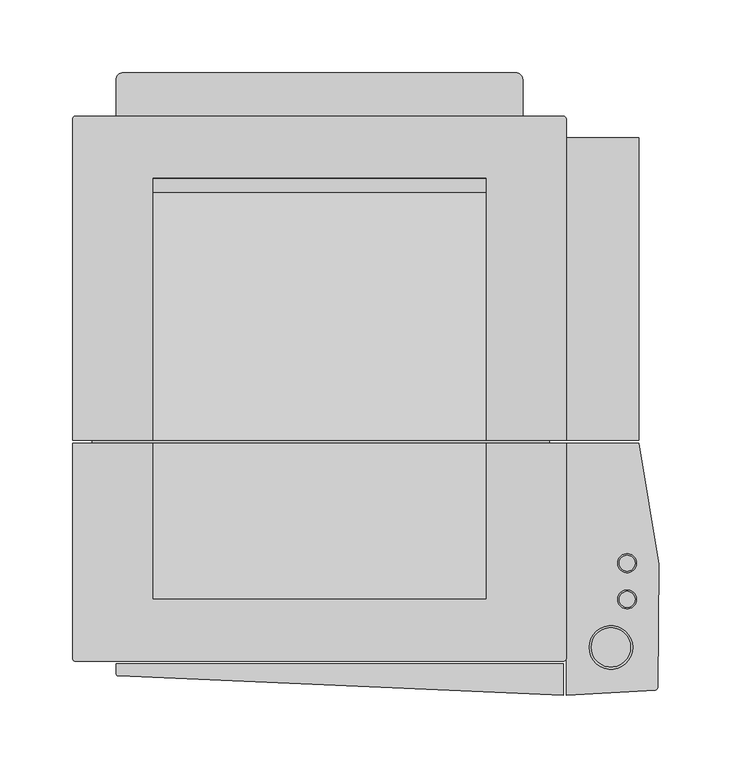
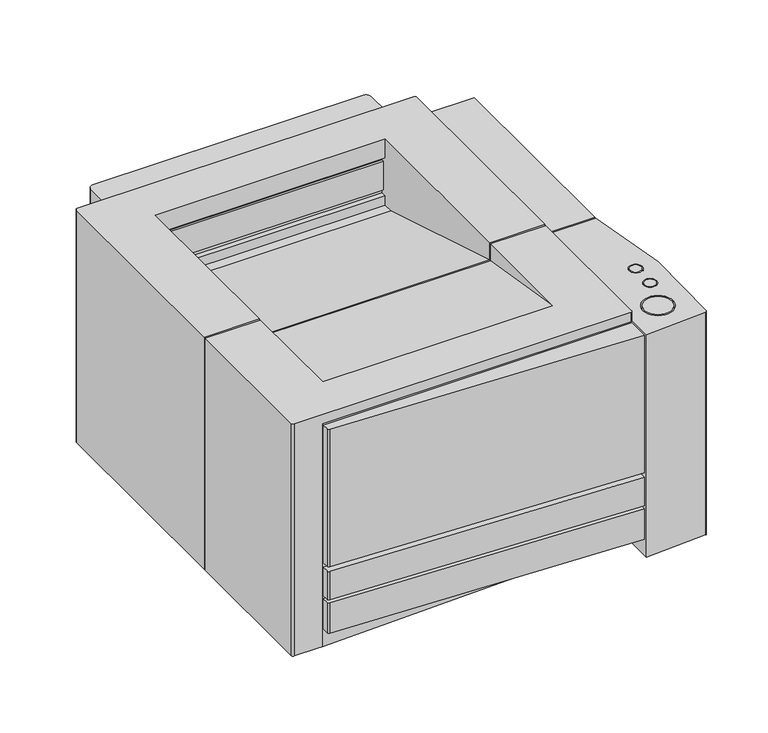
"""IFC4 building model written with IfcOpenShell, lengths in millimetres: furniture geometry."""

import ifcopenshell
import ifcopenshell.guid

model = None  # the IFC model being written
_history = None  # IfcOwnerHistory: only IFC2X3 demands one
_inside = {}  # id of a spatial element -> (the spatial element, [elements in it])
_under = {}  # id of a project, library or spatial element -> (it, [spatial elements below it])
_declared = {}  # id of a project -> (the project, [libraries it declares])
_typed = {}  # id of a type object -> (the type object, [elements of that type])
_made_of = {}  # id of a material, layer set ... -> (it, [elements and type objects made of it])


def new_model(schema):
    """Start an empty IFC model of exactly this schema.

    Asked for "IFC4X3", IfcOpenShell would pick the latest addendum, in which some entities
    have other attributes; the version numbers below select the first issue.
    IFC2X3 requires an IfcOwnerHistory on every rooted entity: one is made here for all.
    """
    global model, _history
    if schema == "IFC4X3":
        model = ifcopenshell.file(schema_version=(4, 3, 0, 0))
    else:
        model = ifcopenshell.file(schema=schema)
    _inside.clear()
    _under.clear()
    _declared.clear()
    _typed.clear()
    _made_of.clear()
    _history = None
    if model.schema == "IFC2X3":
        org = make("IfcOrganization", Name="unknown")
        user = make(
            "IfcPersonAndOrganization",
            ThePerson=make("IfcPerson", FamilyName="unknown"),
            TheOrganization=org,
        )
        app = make(
            "IfcApplication",
            ApplicationDeveloper=org,
            Version="unknown",
            ApplicationFullName="unknown",
            ApplicationIdentifier="unknown",
        )
        _history = make(
            "IfcOwnerHistory",
            OwningUser=user,
            OwningApplication=app,
            ChangeAction="ADDED",
            CreationDate=0,
        )
    return model


def make(cls, **values):
    """One entity of the class cls with the attributes given. An attribute that is None is left unset."""
    return model.create_entity(
        cls, **{name: value for name, value in values.items() if value is not None}
    )


def rooted(cls, **values):
    """An entity with a GlobalId (a new one), such as an element, a storey or a relation."""
    return make(cls, GlobalId=ifcopenshell.guid.new(), OwnerHistory=_history, **values)


def si_unit(unit_type, name, prefix=None):
    """IfcSIUnit, for example si_unit("LENGTHUNIT", "METRE", prefix="MILLI")."""
    return make("IfcSIUnit", UnitType=unit_type, Prefix=prefix, Name=name)


def assignment(units):
    """IfcUnitAssignment: the units of a project."""
    return None if units is None else make("IfcUnitAssignment", Units=units)


def point(xyz):
    """IfcCartesianPoint."""
    return None if xyz is None else make("IfcCartesianPoint", Coordinates=xyz)


def direction(xyz):
    """IfcDirection."""
    return None if xyz is None else make("IfcDirection", DirectionRatios=xyz)


def frame(location, z_axis=None, x_axis=None):
    """IfcAxis2Placement3D, a coordinate frame: its origin and axes. An axis left out is left unset."""
    return make(
        "IfcAxis2Placement3D",
        Location=point(location),
        Axis=direction(z_axis),
        RefDirection=direction(x_axis),
    )


def frame_2d(location, x_axis=None):
    """IfcAxis2Placement2D, a coordinate frame in the plane: its origin and x axis."""
    return make(
        "IfcAxis2Placement2D", Location=point(location), RefDirection=direction(x_axis)
    )


def origin():
    """The frame at (0, 0, 0) with its axes left unset."""
    return frame((0.0, 0.0, 0.0))


def origin_with_axes():
    """The frame at (0, 0, 0) with the z axis (0, 0, 1) and the x axis (1, 0, 0) written out."""
    return frame((0.0, 0.0, 0.0), z_axis=(0.0, 0.0, 1.0), x_axis=(1.0, 0.0, 0.0))


def place(relative_to, where):
    """IfcLocalPlacement: puts the frame where relative to a parent placement (None: the world)."""
    return make(
        "IfcLocalPlacement", PlacementRelTo=relative_to, RelativePlacement=where
    )


def context(
    kind, dimensions, precision=None, world=None, true_north=None, identifier=None
):
    """IfcGeometricRepresentationContext, for example the 3D "Model" context."""
    return make(
        "IfcGeometricRepresentationContext",
        ContextIdentifier=identifier,
        ContextType=kind,
        CoordinateSpaceDimension=dimensions,
        Precision=precision,
        WorldCoordinateSystem=world,
        TrueNorth=true_north,
    )


def project(units=None, contexts=None):
    """IfcProject with its units and contexts."""
    return rooted(
        "IfcProject",
        Name="project",
        RepresentationContexts=contexts,
        UnitsInContext=assignment(units),
    )


def spatial(cls, under=None, at=None, **own):
    """A site, building, storey or space (cls), placed at a placement, below another one or the project."""
    s = rooted(cls, ObjectPlacement=at, **own)
    if under is not None:
        _under.setdefault(under.id(), (under, []))[1].append(s)
    return s


def polyline(points):
    """IfcPolyline through the points."""
    return make("IfcPolyline", Points=[point(p) for p in points])


def circle_curve(where, radius):
    """IfcCircle in the frame where."""
    return make("IfcCircle", Position=where, Radius=radius)


def trimmed(basis, trim1, trim2, sense, master):
    """IfcTrimmedCurve: the piece of a basis curve between two trims."""
    return make(
        "IfcTrimmedCurve",
        BasisCurve=basis,
        Trim1=trim1,
        Trim2=trim2,
        SenseAgreement=sense,
        MasterRepresentation=master,
    )


def segment(curve, same_sense, transition):
    """IfcCompositeCurveSegment."""
    return make(
        "IfcCompositeCurveSegment",
        Transition=transition,
        SameSense=same_sense,
        ParentCurve=curve,
    )


def composite_curve(segments, self_intersect=None):
    """IfcCompositeCurve: segments joined end to end."""
    return make("IfcCompositeCurve", Segments=segments, SelfIntersect=self_intersect)


def outline(outer, holes=None, kind="AREA"):
    """IfcArbitraryClosedProfileDef: a profile drawn as a closed curve; with holes, ...WithVoids."""
    if holes is None:
        return make("IfcArbitraryClosedProfileDef", ProfileType=kind, OuterCurve=outer)
    return make(
        "IfcArbitraryProfileDefWithVoids",
        ProfileType=kind,
        OuterCurve=outer,
        InnerCurves=holes,
    )


def extrude(swept, where, along, depth):
    """IfcExtrudedAreaSolid: the profile swept, set in the frame where, extruded along a direction by depth."""
    return make(
        "IfcExtrudedAreaSolid",
        SweptArea=swept,
        Position=where,
        ExtrudedDirection=direction(along),
        Depth=depth,
    )


def faces_of(points, faces, orient=None, outer=None):
    """IfcFace entities. A face is a list of loops; a loop is a list of indices into points, from 0.

    orient and outer hold one flag for each loop. By default every Orientation is true, the
    first loop of a face is its IfcFaceOuterBound and the others are IfcFaceBound.
    """
    made = []
    for i, loops in enumerate(faces):
        bounds = []
        for j, loop in enumerate(loops):
            is_outer = j == 0 if outer is None else outer[i][j]
            bounds.append(
                make(
                    "IfcFaceOuterBound" if is_outer else "IfcFaceBound",
                    Bound=make("IfcPolyLoop", Polygon=[points[k] for k in loop]),
                    Orientation=True if orient is None else orient[i][j],
                )
            )
        made.append(make("IfcFace", Bounds=bounds))
    return made


def faceted_brep(points, faces, orient=None, outer=None, voids=None):
    """IfcFacetedBrep: a solid bounded by flat faces; with voids (closed shells), ...WithVoids."""
    shared = [point(p) for p in points]
    hull = make("IfcClosedShell", CfsFaces=faces_of(shared, faces, orient, outer))
    if voids is None:
        return make("IfcFacetedBrep", Outer=hull)
    return make(
        "IfcFacetedBrepWithVoids",
        Outer=hull,
        Voids=[
            make(cls, CfsFaces=faces_of(shared, fs, o, b)) for cls, fs, o, b in voids
        ],
    )


def shape(context_of_items, identifier, shape_type, items):
    """IfcShapeRepresentation: the items that make up one representation, for example the "Body"."""
    return make(
        "IfcShapeRepresentation",
        ContextOfItems=context_of_items,
        RepresentationIdentifier=identifier,
        RepresentationType=shape_type,
        Items=items,
    )


def source(mapping_origin, context_of_items, identifier, shape_type, items):
    """IfcRepresentationMap: a shape defined once, which mapped items show again and again."""
    return make(
        "IfcRepresentationMap",
        MappingOrigin=mapping_origin,
        MappedRepresentation=shape(context_of_items, identifier, shape_type, items),
    )


def transform(
    local_origin,
    x_axis=None,
    y_axis=None,
    z_axis=None,
    scale=None,
    scale2=None,
    scale3=None,
    uniform=True,
):
    """IfcCartesianTransformationOperator3D, or its non-uniform kind. x_axis, y_axis, z_axis: its Axis1, 2, 3."""
    if uniform:
        return make(
            "IfcCartesianTransformationOperator3D",
            Axis1=direction(x_axis),
            Axis2=direction(y_axis),
            LocalOrigin=point(local_origin),
            Scale=scale,
            Axis3=direction(z_axis),
        )
    return make(
        "IfcCartesianTransformationOperator3DnonUniform",
        Axis1=direction(x_axis),
        Axis2=direction(y_axis),
        LocalOrigin=point(local_origin),
        Scale=scale,
        Axis3=direction(z_axis),
        Scale2=scale2,
        Scale3=scale3,
    )


def mapped(mapping_source, mapping_target):
    """IfcMappedItem: shows the shape of a source again, moved by a transform."""
    return make(
        "IfcMappedItem", MappingSource=mapping_source, MappingTarget=mapping_target
    )


def made_of(thing, what):
    """Note that an element or type object is made of a material, layer set ...; save() writes the relation."""
    if what is not None:
        _made_of.setdefault(what.id(), (what, []))[1].append(thing)
    return thing


def element(
    cls,
    number,
    at=None,
    inside=None,
    cuts=None,
    type_object=None,
    material=None,
    context=None,
    identifier="Body",
    shape_type=None,
    held_by="IfcProductDefinitionShape",
    body=None,
    shapes=None,
    **own,
):
    """One element of the class cls, such as IfcWall. Its Tag is "e" and its number.

    at: its placement. inside: the storey or other place that contains it. cuts: it is an
    opening in that element (IfcRelVoidsElement). A single representation is given by context,
    identifier, shape_type and body (its items); several are given by shapes. held_by: the class
    of the entity that holds the representations. save() writes the other relations.
    """
    e = rooted(cls, Tag="e%d" % number, ObjectPlacement=at, **own)
    if body is not None:
        shapes = [shape(context, identifier, shape_type, body)]
    if shapes is not None:
        e.Representation = make(held_by, Representations=shapes)
    if inside is not None:
        _inside.setdefault(inside.id(), (inside, []))[1].append(e)
    if cuts is not None:
        rooted(
            "IfcRelVoidsElement", RelatingBuildingElement=cuts, RelatedOpeningElement=e
        )
    if type_object is not None:
        _typed.setdefault(type_object.id(), (type_object, []))[1].append(e)
    return made_of(e, material)


def aggregate(whole, parts):
    """IfcRelAggregates: a whole, such as a stair, and the parts it consists of."""
    return rooted("IfcRelAggregates", RelatingObject=whole, RelatedObjects=parts)


def save(model, path):
    """Write the relations noted so far, then the file.

    IfcRelAggregates (storeys below a building ...), IfcRelContainedInSpatialStructure (elements
    in a storey), IfcRelDefinesByType, IfcRelAssociatesMaterial and IfcRelDeclares: one each for
    every whole, place, type object, material and project.
    """
    for whole, parts in _under.values():
        aggregate(whole, parts)
    for where, things in _inside.values():
        rooted(
            "IfcRelContainedInSpatialStructure",
            RelatedElements=things,
            RelatingStructure=where,
        )
    for kind, things in _typed.values():
        rooted("IfcRelDefinesByType", RelatedObjects=things, RelatingType=kind)
    for what, things in _made_of.values():
        rooted("IfcRelAssociatesMaterial", RelatedObjects=things, RelatingMaterial=what)
    for by, libraries in _declared.values():
        rooted("IfcRelDeclares", RelatingContext=by, RelatedDefinitions=libraries)
    model.write(path)


def plane_surface(at):
    """IfcPlane: the flat surface through the origin of the frame at, square to its z axis."""
    return make("IfcPlane", Position=at)


def cylinder_surface(at, radius):
    """IfcCylindricalSurface: all points at the distance radius from the z axis of the frame at."""
    return make("IfcCylindricalSurface", Position=at, Radius=radius)


def revolved_surface(curve, axis_point, axis_direction):
    """IfcSurfaceOfRevolution: the curve turned about the line through axis_point along axis_direction."""
    return make(
        "IfcSurfaceOfRevolution",
        SweptCurve=make("IfcArbitraryOpenProfileDef", ProfileType="CURVE", Curve=curve),
        AxisPosition=make("IfcAxis1Placement", Location=point(axis_point), Axis=direction(axis_direction)),
    )


def advanced_brep(points, edges, surfaces, faces):
    """IfcAdvancedBrep: a solid bounded by faces that lie on surfaces and meet in shared edges.

    An edge is (start, end): straight between two places in points (the first is 0);
    or (start, end, curve); or (start, end, curve, False) where it runs against its curve.
    A face is (place in surfaces, loops), or (place, loops, False) where it looks against
    its surface's normal. A loop lists edges by number (the first is 1), with a minus sign
    where the edge is run from its end to its start. The first loop is the outer one.
    """
    corners = [point(p) for p in points]
    vertices = [make("IfcVertexPoint", VertexGeometry=c) for c in corners]
    made = []
    for start, end, *more in edges:
        made.append(
            make(
                "IfcEdgeCurve",
                EdgeStart=vertices[start],
                EdgeEnd=vertices[end],
                EdgeGeometry=more[0] if more else make("IfcPolyline", Points=[corners[start], corners[end]]),
                SameSense=more[1] if len(more) > 1 else True,
            )
        )
    hull = []
    for where, loops, *sense in faces:
        bounds = []
        for j, loop in enumerate(loops):
            ring = [make("IfcOrientedEdge", EdgeElement=made[abs(k) - 1], Orientation=k > 0) for k in loop]
            bounds.append(
                make(
                    "IfcFaceOuterBound" if j == 0 else "IfcFaceBound",
                    Bound=make("IfcEdgeLoop", EdgeList=ring),
                    Orientation=True,
                )
            )
        hull.append(make("IfcAdvancedFace", Bounds=bounds, FaceSurface=surfaces[where], SameSense=sense[0] if sense else True))
    return make("IfcAdvancedBrep", Outer=make("IfcClosedShell", CfsFaces=hull))


def furniture_5ee68452(model_context):
    return source(origin(), model_context, "Body", "SolidModel", [
        extrude(outline(polyline([(158.4270166, 172.2153373), (158.4270166, -172.7846627), (-156.5729834, -172.7846627), (-156.5729834, 172.2153373), (158.4270166, 172.2153373)])), origin_with_axes(), (0.0, 0.0, 1.0), 5.0),
        extrude(outline(composite_curve([segment(polyline([(168.0, -189.5), (168.0, -211.0385028)]), True, "CONTINUOUS"), segment(trimmed(circle_curve(frame_2d((94.3666787, 1624.0671105)), 1836.5822818), [point((168.0, -211.0385028))], [point((-138.2533184, -197.7238806))], False, "CARTESIAN"), True, "CONTINUOUS"), segment(trimmed(circle_curve(frame_2d((-138.2533184, -195.9771989)), 1.7466816), [point((-138.2533184, -197.7238806))], [point((-140.0, -195.9771989))], False, "CARTESIAN"), True, "CONTINUOUS"), segment(polyline([(-140.0, -195.9771989), (-140.0, -189.5), (168.0, -189.5)]), True, "CONTINUOUS")], self_intersect=False)), frame((0.0, 0.0, 95.0), z_axis=(0.0, 0.0, 1.0), x_axis=(1.0, 0.0, 0.0)), (0.0, 0.0, 1.0), 145.0),
        extrude(outline(composite_curve([segment(polyline([(168.0, -189.5), (168.0, -211.0385028)]), True, "CONTINUOUS"), segment(trimmed(circle_curve(frame_2d((94.3666787, 1624.0671105)), 1836.5822818), [point((168.0, -211.0385028))], [point((-138.2533184, -197.7238806))], False, "CARTESIAN"), True, "CONTINUOUS"), segment(trimmed(circle_curve(frame_2d((-138.2533184, -195.9771989)), 1.7466816), [point((-138.2533184, -197.7238806))], [point((-140.0, -195.9771989))], False, "CARTESIAN"), True, "CONTINUOUS"), segment(polyline([(-140.0, -195.9771989), (-140.0, -189.5), (168.0, -189.5)]), True, "CONTINUOUS")], self_intersect=False)), frame((0.0, 0.0, 60.0), z_axis=(0.0, 0.0, 1.0), x_axis=(1.0, 0.0, 0.0)), (0.0, 0.0, 1.0), 30.0),
        extrude(outline(composite_curve([segment(polyline([(168.0, -189.5), (168.0, -211.0385028)]), True, "CONTINUOUS"), segment(trimmed(circle_curve(frame_2d((94.3666787, 1624.0671105)), 1836.5822818), [point((168.0, -211.0385028))], [point((-138.2533184, -197.7238806))], False, "CARTESIAN"), True, "CONTINUOUS"), segment(trimmed(circle_curve(frame_2d((-138.2533184, -195.9771989)), 1.7466816), [point((-138.2533184, -197.7238806))], [point((-140.0, -195.9771989))], False, "CARTESIAN"), True, "CONTINUOUS"), segment(polyline([(-140.0, -195.9771989), (-140.0, -189.5), (168.0, -189.5)]), True, "CONTINUOUS")], self_intersect=False)), frame((0.0, 0.0, 25.0), z_axis=(0.0, 0.0, 1.0), x_axis=(1.0, 0.0, 0.0)), (0.0, 0.0, 1.0), 32.0),
        advanced_brep(
        [(231.1610016, -207.4136542, 240.0), (233.0027612, -205.6115923, 240.0), (220.0, -37.5, 240.0), (170.0, -37.5, 240.0), (170.0, -210.9571615, 240.0), (215.7509631, -178.0778094, 240.0), (185.7509631, -178.0778094, 240.0), (218.3943162, -145.061833, 240.0), (205.3943162, -145.061833, 240.0), (218.3943162, -120.061833, 240.0), (205.3943162, -120.061833, 240.0), (214.2509631, -178.0778094, 240.0), (187.2509631, -178.0778094, 240.0), (217.3943162, -145.061833, 240.0), (206.3943162, -145.061833, 240.0), (217.3943162, -120.061833, 240.0), (206.3943162, -120.061833, 240.0), (170.0, -37.5, 5.0), (220.0, -37.5, 5.0), (233.0027612, -205.6115923, 5.0), (231.1610016, -207.4136542, 5.0), (170.0, -210.9571615, 5.0), (185.7509631, -178.0778094, 230.0), (215.7509631, -178.0778094, 230.0), (187.2509631, -178.0778094, 230.0), (214.2509631, -178.0778094, 230.0), (205.3943162, -145.061833, 230.0), (218.3943162, -145.061833, 230.0), (206.3943162, -145.061833, 230.0), (217.3943162, -145.061833, 230.0), (205.3943162, -120.061833, 230.0), (218.3943162, -120.061833, 230.0), (206.3943162, -120.061833, 230.0), (217.3943162, -120.061833, 230.0)],
        [
            (0, 1, circle_curve(frame((231.0120355, -205.4192096, 240.0), z_axis=(0.0, 0.0, 1.0), x_axis=(1.0, 0.0, 0.0)), 2.0)),
            (1, 2, circle_curve(frame((-253.0069973, -158.6438568, 240.0), z_axis=(0.0, 0.0, 1.0), x_axis=(1.0, 0.0, 0.0)), 488.2739534)),
            (2, 3),
            (3, 4),
            (4, 0, circle_curve(frame((94.3666787, 1624.0671105, 240.0), z_axis=(0.0, 0.0, 1.0), x_axis=(1.0, 0.0, 0.0)), 1836.5822818)),
            (5, 6, circle_curve(frame((200.7509631, -178.0778094, 240.0), z_axis=(0.0, 0.0, -1.0), x_axis=(1.0, 0.0, 0.0)), 15.0)),
            (6, 5, circle_curve(frame((200.7509631, -178.0778094, 240.0), z_axis=(0.0, 0.0, -1.0), x_axis=(1.0, 0.0, 0.0)), 15.0)),
            (7, 8, circle_curve(frame((211.8943162, -145.061833, 240.0), z_axis=(0.0, 0.0, -1.0), x_axis=(1.0, 0.0, 0.0)), 6.5)),
            (8, 7, circle_curve(frame((211.8943162, -145.061833, 240.0), z_axis=(0.0, 0.0, -1.0), x_axis=(1.0, 0.0, 0.0)), 6.5)),
            (9, 10, circle_curve(frame((211.8943162, -120.061833, 240.0), z_axis=(0.0, 0.0, -1.0), x_axis=(1.0, 0.0, 0.0)), 6.5)),
            (10, 9, circle_curve(frame((211.8943162, -120.061833, 240.0), z_axis=(0.0, 0.0, -1.0), x_axis=(1.0, 0.0, 0.0)), 6.5)),
            (11, 12, circle_curve(frame((200.7509631, -178.0778094, 240.0), z_axis=(0.0, 0.0, 1.0), x_axis=(1.0, 0.0, 0.0)), 13.5)),
            (12, 11, circle_curve(frame((200.7509631, -178.0778094, 240.0), z_axis=(0.0, 0.0, 1.0), x_axis=(1.0, 0.0, 0.0)), 13.5)),
            (13, 14, circle_curve(frame((211.8943162, -145.061833, 240.0), z_axis=(0.0, 0.0, 1.0), x_axis=(1.0, 0.0, 0.0)), 5.5)),
            (14, 13, circle_curve(frame((211.8943162, -145.061833, 240.0), z_axis=(0.0, 0.0, 1.0), x_axis=(1.0, 0.0, 0.0)), 5.5)),
            (15, 16, circle_curve(frame((211.8943162, -120.061833, 240.0), z_axis=(0.0, 0.0, 1.0), x_axis=(1.0, 0.0, 0.0)), 5.5)),
            (16, 15, circle_curve(frame((211.8943162, -120.061833, 240.0), z_axis=(0.0, 0.0, 1.0), x_axis=(1.0, 0.0, 0.0)), 5.5)),
            (17, 18),
            (18, 19, circle_curve(frame((-253.0069973, -158.6438568, 5.0), z_axis=(0.0, 0.0, -1.0), x_axis=(1.0, 0.0, 0.0)), 488.2739534)),
            (19, 20, circle_curve(frame((231.0120355, -205.4192096, 5.0), z_axis=(0.0, 0.0, -1.0), x_axis=(1.0, 0.0, 0.0)), 2.0)),
            (20, 21, circle_curve(frame((94.3666787, 1624.0671105, 5.0), z_axis=(0.0, 0.0, -1.0), x_axis=(1.0, 0.0, 0.0)), 1836.5822818)),
            (21, 17),
            (20, 0),
            (4, 21),
            (19, 1),
            (18, 2),
            (17, 3),
            (22, 23, circle_curve(frame((200.7509631, -178.0778094, 230.0), z_axis=(0.0, 0.0, 1.0), x_axis=(1.0, 0.0, 0.0)), 15.0)),
            (23, 22, circle_curve(frame((200.7509631, -178.0778094, 230.0), z_axis=(0.0, 0.0, 1.0), x_axis=(1.0, 0.0, 0.0)), 15.0)),
            (24, 25, circle_curve(frame((200.7509631, -178.0778094, 230.0), z_axis=(0.0, 0.0, -1.0), x_axis=(1.0, 0.0, 0.0)), 13.5)),
            (25, 24, circle_curve(frame((200.7509631, -178.0778094, 230.0), z_axis=(0.0, 0.0, -1.0), x_axis=(1.0, 0.0, 0.0)), 13.5)),
            (26, 27, circle_curve(frame((211.8943162, -145.061833, 230.0), z_axis=(0.0, 0.0, 1.0), x_axis=(1.0, 0.0, 0.0)), 6.5)),
            (27, 26, circle_curve(frame((211.8943162, -145.061833, 230.0), z_axis=(0.0, 0.0, 1.0), x_axis=(1.0, 0.0, 0.0)), 6.5)),
            (28, 29, circle_curve(frame((211.8943162, -145.061833, 230.0), z_axis=(0.0, 0.0, -1.0), x_axis=(1.0, 0.0, 0.0)), 5.5)),
            (29, 28, circle_curve(frame((211.8943162, -145.061833, 230.0), z_axis=(0.0, 0.0, -1.0), x_axis=(1.0, 0.0, 0.0)), 5.5)),
            (30, 31, circle_curve(frame((211.8943162, -120.061833, 230.0), z_axis=(0.0, 0.0, 1.0), x_axis=(1.0, 0.0, 0.0)), 6.5)),
            (31, 30, circle_curve(frame((211.8943162, -120.061833, 230.0), z_axis=(0.0, 0.0, 1.0), x_axis=(1.0, 0.0, 0.0)), 6.5)),
            (32, 33, circle_curve(frame((211.8943162, -120.061833, 230.0), z_axis=(0.0, 0.0, -1.0), x_axis=(1.0, 0.0, 0.0)), 5.5)),
            (33, 32, circle_curve(frame((211.8943162, -120.061833, 230.0), z_axis=(0.0, 0.0, -1.0), x_axis=(1.0, 0.0, 0.0)), 5.5)),
            (22, 6),
            (5, 23),
            (24, 12),
            (11, 25),
            (26, 8),
            (7, 27),
            (28, 14),
            (13, 29),
            (30, 10),
            (9, 31),
            (32, 16),
            (15, 33),
        ],
        [
            plane_surface(frame((-136.0, -195.739988, 240.0), z_axis=(0.0, 0.0, 1.0), x_axis=(0.0, 1.0, 0.0))),
            plane_surface(frame((-136.0, -195.739988, 5.0), z_axis=(0.0, 0.0, -1.0), x_axis=(0.0, -1.0, 0.0))),
            cylinder_surface(frame((94.3666787, 1624.0671105, 5.0), z_axis=(0.0, 0.0, 1.0), x_axis=(1.0, 0.0, 0.0)), 1836.5822818),
            cylinder_surface(frame((231.0120355, -205.4192096, 5.0), z_axis=(0.0, 0.0, 1.0), x_axis=(1.0, 0.0, 0.0)), 2.0),
            cylinder_surface(frame((-253.0069973, -158.6438568, 5.0), z_axis=(0.0, 0.0, 1.0), x_axis=(1.0, 0.0, 0.0)), 488.2739534),
            plane_surface(frame((220.0, -37.5, 240.0), z_axis=(0.0, 1.0, 0.0), x_axis=(0.0, 0.0, -1.0))),
            plane_surface(frame((170.0, -37.5, 240.0), z_axis=(-1.0, 0.0, 0.0), x_axis=(0.0, 0.0, -1.0))),
            plane_surface(frame((215.7509631, -178.0778094, 230.0), z_axis=(0.0, 0.0, 1.0), x_axis=(0.0, -1.0, 0.0))),
            revolved_surface(polyline([(215.7509631, -178.0778094, 240.0), (215.7509631, -178.0778094, 230.0)]), (200.7509631, -178.0778094, 230.0), (0.0, 0.0, 1.0)),
            cylinder_surface(frame((200.7509631, -178.0778094, 0.0), z_axis=(0.0, 0.0, -1.0), x_axis=(1.0, 0.0, 0.0)), 13.5),
            revolved_surface(polyline([(218.3943162, -145.061833, 240.0), (218.3943162, -145.061833, 230.0)]), (211.8943162, -145.061833, 0.0), (0.0, 0.0, 1.0)),
            cylinder_surface(frame((211.8943162, -145.061833, 0.0), z_axis=(0.0, 0.0, -1.0), x_axis=(1.0, 0.0, 0.0)), 5.5),
            revolved_surface(polyline([(218.3943162, -120.061833, 240.0), (218.3943162, -120.061833, 230.0)]), (211.8943162, -120.061833, 0.0), (0.0, 0.0, 1.0)),
            cylinder_surface(frame((211.8943162, -120.061833, 0.0), z_axis=(0.0, 0.0, -1.0), x_axis=(1.0, 0.0, 0.0)), 5.5),
        ],
        [
            (0, [[1, 2, 3, 4, 5], [6, 7], [8, 9], [10, 11]]),
            (0, [[12, 13]]),
            (0, [[14, 15]]),
            (0, [[16, 17]]),
            (1, [[18, 19, 20, 21, 22]]),
            (2, [[23, -5, 24, -21]]),
            (3, [[-1, -23, -20, 25]]),
            (4, [[-2, -25, -19, 26]]),
            (5, [[-3, -26, -18, 27]]),
            (6, [[-27, -22, -24, -4]]),
            (7, [[28, 29], [30, 31]]),
            (7, [[32, 33], [34, 35]]),
            (7, [[36, 37], [38, 39]]),
            (8, [[-28, 40, -6, 41]]),
            (8, [[-29, -41, -7, -40]]),
            (9, [[-30, 42, -12, 43]]),
            (9, [[-31, -43, -13, -42]]),
            (10, [[-32, 44, -8, 45]]),
            (10, [[-33, -45, -9, -44]]),
            (11, [[-34, 46, -14, 47]]),
            (11, [[-35, -47, -15, -46]]),
            (12, [[-36, 48, -10, 49]]),
            (12, [[-37, -49, -11, -48]]),
            (13, [[-38, 50, -16, 51]]),
            (13, [[-39, -51, -17, -50]]),
        ],
    ),
        faceted_brep([(220.0, -35.5, 240.0), (220.0, 172.7980154, 240.0), (170.0, 172.7980154, 240.0), (170.0, -35.5, 240.0), (220.0, -35.5, 5.0), (170.0, -35.5, 5.0), (170.0, 172.7980154, 5.0), (220.0, 172.7980154, 5.0)], [[[0, 1, 2, 3]], [[4, 5, 6, 7]], [[1, 0, 4, 7]], [[2, 1, 7, 6]], [[3, 2, 6, 5]], [[0, 3, 5, 4]]]),
        advanced_brep(
        [(168.0, 187.5, 250.0), (-168.0, 187.5, 250.0), (-170.0, 185.5, 250.0), (-170.0, -35.5, 250.0), (-115.0, -35.5, 250.0), (-115.0, 145.0, 250.0), (115.0, 145.0, 250.0), (115.0, -35.5, 250.0), (170.0, -35.5, 250.0), (170.0, 185.5, 250.0), (168.0, 187.5, 5.0), (170.0, 185.5, 5.0), (170.0, -35.5, 5.0), (-170.0, -35.5, 5.0), (-170.0, 185.5, 5.0), (-168.0, 187.5, 5.0), (115.0, -35.5, 231.7780958), (-115.0, -35.5, 231.7780958), (115.0, 145.0, 230.0), (115.0, 150.0, 230.0), (115.0, 150.0, 225.0), (115.0, 147.5, 225.0), (115.0, 147.5, 195.0), (115.0, 150.0, 195.0), (115.0, 150.0, 190.0), (115.0, 145.0, 190.0), (115.0, 145.0, 180.0), (115.0, 135.0, 180.0), (-115.0, 135.0, 180.0), (-115.0, 145.0, 180.0), (-115.0, 145.0, 190.0), (-115.0, 150.0, 190.0), (-115.0, 150.0, 195.0), (-115.0, 147.5, 195.0), (-115.0, 147.5, 225.0), (-115.0, 150.0, 225.0), (-115.0, 150.0, 230.0), (-115.0, 145.0, 230.0)],
        [
            (0, 1),
            (1, 2, circle_curve(frame((-168.0, 185.5, 250.0), z_axis=(0.0, 0.0, 1.0), x_axis=(1.0, 0.0, 0.0)), 2.0)),
            (2, 3),
            (3, 4),
            (4, 5),
            (5, 6),
            (6, 7),
            (7, 8),
            (8, 9),
            (9, 0, circle_curve(frame((168.0, 185.5, 250.0), z_axis=(0.0, 0.0, 1.0), x_axis=(1.0, 0.0, 0.0)), 2.0)),
            (10, 11, circle_curve(frame((168.0, 185.5, 5.0), z_axis=(0.0, 0.0, -1.0), x_axis=(1.0, 0.0, 0.0)), 2.0)),
            (11, 12),
            (12, 13),
            (13, 14),
            (14, 15, circle_curve(frame((-168.0, 185.5, 5.0), z_axis=(0.0, 0.0, -1.0), x_axis=(1.0, 0.0, 0.0)), 2.0)),
            (15, 10),
            (0, 10),
            (15, 1),
            (14, 2),
            (13, 3),
            (11, 9),
            (8, 12),
            (7, 16),
            (16, 17),
            (17, 4),
            (6, 18),
            (18, 19),
            (19, 20),
            (20, 21),
            (21, 22),
            (22, 23),
            (23, 24),
            (24, 25),
            (25, 26),
            (26, 27),
            (27, 16, circle_curve(frame((115.0, -272.8498896, -856.3995585), z_axis=(1.0, 0.0, 0.0), x_axis=(0.0, 1.0, 0.0)), 1113.7619034)),
            (28, 29),
            (29, 30),
            (30, 31),
            (31, 32),
            (32, 33),
            (33, 34),
            (34, 35),
            (35, 36),
            (36, 37),
            (37, 5),
            (17, 28, circle_curve(frame((-115.0, -272.8498896, -856.3995585), z_axis=(-1.0, 0.0, 0.0), x_axis=(0.0, 1.0, 0.0)), 1113.7619034)),
            (27, 28),
            (26, 29),
            (25, 30),
            (24, 31),
            (23, 32),
            (22, 33),
            (21, 34),
            (20, 35),
            (19, 36),
            (18, 37),
        ],
        [
            plane_surface(frame((-170.0, 187.5, 250.0), z_axis=(0.0, 0.0, 1.0), x_axis=(-1.0, 0.0, 0.0))),
            plane_surface(frame((-170.0, 187.5, 5.0), z_axis=(0.0, 0.0, -1.0), x_axis=(1.0, 0.0, 0.0))),
            plane_surface(frame((168.0, 187.5, 250.0), z_axis=(0.0, 1.0, 0.0), x_axis=(0.0, 0.0, -1.0))),
            cylinder_surface(frame((-168.0, 185.5, 5.0), z_axis=(0.0, 0.0, 1.0), x_axis=(1.0, 0.0, 0.0)), 2.0),
            plane_surface(frame((-170.0, 185.5, 250.0), z_axis=(-1.0, 0.0, 0.0), x_axis=(0.0, 0.0, -1.0))),
            plane_surface(frame((170.0, -185.5, 250.0), z_axis=(1.0, 0.0, 0.0), x_axis=(0.0, 0.0, -1.0))),
            cylinder_surface(frame((168.0, 185.5, 5.0), z_axis=(0.0, 0.0, 1.0), x_axis=(1.0, 0.0, 0.0)), 2.0),
            plane_surface(frame((220.0, -35.5, 250.0), z_axis=(0.0, -1.0, 0.0), x_axis=(0.0, 0.0, -1.0))),
            plane_surface(frame((115.0, -145.0, 250.0), z_axis=(-1.0, 0.0, 0.0), x_axis=(0.0, -1.0, 0.0))),
            plane_surface(frame((-115.0, -145.0, 250.0), z_axis=(1.0, 0.0, 0.0), x_axis=(0.0, 1.0, 0.0))),
            cylinder_surface(frame((-115.0, -272.8498896, -856.3995585), z_axis=(-1.0, 0.0, 0.0), x_axis=(0.0, 1.0, 0.0)), 1113.7619034),
            plane_surface(frame((115.0, 135.0, 180.0), z_axis=(0.0, 0.0, 1.0), x_axis=(-1.0, 0.0, 0.0))),
            plane_surface(frame((115.0, 145.0, 180.0), z_axis=(0.0, -1.0, 0.0), x_axis=(-1.0, 0.0, 0.0))),
            plane_surface(frame((115.0, 145.0, 190.0), z_axis=(0.0, 0.0, 1.0), x_axis=(-1.0, 0.0, 0.0))),
            plane_surface(frame((115.0, 150.0, 190.0), z_axis=(0.0, -1.0, 0.0), x_axis=(-1.0, 0.0, 0.0))),
            plane_surface(frame((115.0, 150.0, 195.0), z_axis=(0.0, 0.0, -1.0), x_axis=(-1.0, 0.0, 0.0))),
            plane_surface(frame((115.0, 147.5, 195.0), z_axis=(0.0, -1.0, 0.0), x_axis=(-1.0, 0.0, 0.0))),
            plane_surface(frame((115.0, 147.5, 225.0), z_axis=(0.0, 0.0, 1.0), x_axis=(-1.0, 0.0, 0.0))),
            plane_surface(frame((115.0, 150.0, 225.0), z_axis=(0.0, -1.0, 0.0), x_axis=(-1.0, 0.0, 0.0))),
            plane_surface(frame((115.0, 150.0, 230.0), z_axis=(0.0, 0.0, -1.0), x_axis=(-1.0, 0.0, 0.0))),
            plane_surface(frame((115.0, 145.0, 230.0), z_axis=(0.0, -1.0, 0.0), x_axis=(-1.0, 0.0, 0.0))),
        ],
        [
            (0, [[1, 2, 3, 4, 5, 6, 7, 8, 9, 10]]),
            (1, [[11, 12, 13, 14, 15, 16]]),
            (2, [[-1, 17, -16, 18]]),
            (3, [[-2, -18, -15, 19]]),
            (4, [[-19, -14, 20, -3]]),
            (5, [[21, -9, 22, -12]]),
            (6, [[-10, -21, -11, -17]]),
            (7, [[-13, -22, -8, 23, 24, 25, -4, -20]]),
            (8, [[26, 27, 28, 29, 30, 31, 32, 33, 34, 35, 36, -23, -7]]),
            (9, [[37, 38, 39, 40, 41, 42, 43, 44, 45, 46, -5, -25, 47]]),
            (10, [[48, -47, -24, -36]]),
            (11, [[-35, 49, -37, -48]]),
            (12, [[-34, 50, -38, -49]]),
            (13, [[-33, 51, -39, -50]]),
            (14, [[-32, 52, -40, -51]]),
            (15, [[-31, 53, -41, -52]]),
            (16, [[-30, 54, -42, -53]]),
            (17, [[-29, 55, -43, -54]]),
            (18, [[-28, 56, -44, -55]]),
            (19, [[-27, 57, -45, -56]]),
            (20, [[-26, -6, -46, -57]]),
        ],
    ),
        advanced_brep(
        [(-170.0, -185.5, 250.0), (-168.0, -187.5, 250.0), (168.0, -187.5, 250.0), (170.0, -185.5, 250.0), (170.0, -37.5, 250.0), (115.0, -37.5, 250.0), (115.0, -145.0, 250.0), (-115.0, -145.0, 250.0), (-115.0, -37.5, 250.0), (-170.0, -37.5, 250.0), (-168.0, -187.5, 5.0), (-170.0, -185.5, 5.0), (-170.0, -37.5, 5.0), (170.0, -37.5, 5.0), (170.0, -176.6745615, 5.0), (-140.0, -187.5, 5.0), (-145.0, -187.5, 5.0), (-140.0, -187.5, 240.0), (168.0, -187.5, 240.0), (170.0, -185.5, 240.0), (170.0, -176.6745615, 240.0), (-115.0, -37.5, 232.2124049), (115.0, -37.5, 232.2124049)],
        [
            (0, 1, circle_curve(frame((-168.0, -185.5, 250.0), z_axis=(0.0, 0.0, 1.0), x_axis=(1.0, 0.0, 0.0)), 2.0)),
            (1, 2),
            (2, 3, circle_curve(frame((168.0, -185.5, 250.0), z_axis=(0.0, 0.0, 1.0), x_axis=(1.0, 0.0, 0.0)), 2.0)),
            (3, 4),
            (4, 5),
            (5, 6),
            (6, 7),
            (7, 8),
            (8, 9),
            (9, 0),
            (10, 11, circle_curve(frame((-168.0, -185.5, 5.0), z_axis=(0.0, 0.0, -1.0), x_axis=(1.0, 0.0, 0.0)), 2.0)),
            (11, 12),
            (12, 13),
            (13, 14),
            (14, 15, circle_curve(frame((157.1632295, -4253.1095292, 5.0), z_axis=(0.0, 0.0, 1.0), x_axis=(1.0, 0.0, 0.0)), 4076.4551793)),
            (15, 16),
            (16, 10),
            (11, 0),
            (9, 12),
            (10, 1),
            (15, 17),
            (17, 18),
            (18, 2),
            (18, 19, circle_curve(frame((168.0, -185.5, 240.0), z_axis=(0.0, 0.0, 1.0), x_axis=(1.0, 0.0, 0.0)), 2.0)),
            (19, 3),
            (19, 20),
            (20, 14),
            (13, 4),
            (8, 21),
            (21, 22),
            (22, 5),
            (22, 6, circle_curve(frame((115.0, -272.8498896, -856.3995585), z_axis=(1.0, 0.0, 0.0), x_axis=(0.0, 1.0, 0.0)), 1113.7619034)),
            (7, 21, circle_curve(frame((-115.0, -272.8498896, -856.3995585), z_axis=(-1.0, 0.0, 0.0), x_axis=(0.0, 1.0, 0.0)), 1113.7619034)),
            (17, 20, circle_curve(frame((157.1632295, -4253.1095292, 240.0), z_axis=(0.0, 0.0, -1.0), x_axis=(1.0, 0.0, 0.0)), 4076.4551793)),
        ],
        [
            plane_surface(frame((-170.0, 187.5, 250.0), z_axis=(0.0, 0.0, 1.0), x_axis=(-1.0, 0.0, 0.0))),
            plane_surface(frame((-170.0, 187.5, 5.0), z_axis=(0.0, 0.0, -1.0), x_axis=(1.0, 0.0, 0.0))),
            plane_surface(frame((-170.0, 185.5, 250.0), z_axis=(-1.0, 0.0, 0.0), x_axis=(0.0, 0.0, -1.0))),
            cylinder_surface(frame((-168.0, -185.5, 5.0), z_axis=(0.0, 0.0, 1.0), x_axis=(1.0, 0.0, 0.0)), 2.0),
            plane_surface(frame((-168.0, -187.5, 250.0), z_axis=(0.0, -1.0, 0.0), x_axis=(0.0, 0.0, -1.0))),
            cylinder_surface(frame((168.0, -185.5, 5.0), z_axis=(0.0, 0.0, 1.0), x_axis=(1.0, 0.0, 0.0)), 2.0),
            plane_surface(frame((170.0, -185.5, 250.0), z_axis=(1.0, 0.0, 0.0), x_axis=(0.0, 0.0, -1.0))),
            plane_surface(frame((-170.0, -37.5, 250.0), z_axis=(0.0, 1.0, 0.0), x_axis=(0.0, 0.0, -1.0))),
            plane_surface(frame((115.0, -145.0, 250.0), z_axis=(-1.0, 0.0, 0.0), x_axis=(0.0, -1.0, 0.0))),
            plane_surface(frame((-115.0, -145.0, 250.0), z_axis=(1.0, 0.0, 0.0), x_axis=(0.0, 1.0, 0.0))),
            cylinder_surface(frame((-115.0, -272.8498896, -856.3995585), z_axis=(-1.0, 0.0, 0.0), x_axis=(0.0, 1.0, 0.0)), 1113.7619034),
            plane_surface(frame((4233.6184088, -4253.1095292, 240.0), z_axis=(0.0, 0.0, -1.0), x_axis=(0.0, 1.0, 0.0))),
            revolved_surface(polyline([(4233.6184088, -4253.1095292, 240.0), (4233.6184088, -4253.1095292, 5.0)]), (157.1632295, -4253.1095292, 5.0), (0.0, 0.0, 1.0)),
        ],
        [
            (0, [[1, 2, 3, 4, 5, 6, 7, 8, 9, 10]]),
            (1, [[11, 12, 13, 14, 15, 16, 17]]),
            (2, [[18, -10, 19, -12]]),
            (3, [[-1, -18, -11, 20]]),
            (4, [[-2, -20, -17, -16, 21, 22, 23]]),
            (5, [[-3, -23, 24, 25]]),
            (6, [[-4, -25, 26, 27, -14, 28]]),
            (7, [[-13, -19, -9, 29, 30, 31, -5, -28]]),
            (8, [[32, -6, -31]]),
            (9, [[33, -29, -8]]),
            (10, [[-32, -30, -33, -7]]),
            (11, [[34, -26, -24, -22]]),
            (12, [[-34, -21, -15, -27]]),
        ],
    ),
        extrude(outline(composite_curve([segment(trimmed(circle_curve(frame_2d((-135.0, 212.5)), 5.0), [point((-140.0, 212.5))], [point((-135.0, 217.5))], False, "CARTESIAN"), True, "CONTINUOUS"), segment(polyline([(-135.0, 217.5), (135.0, 217.5)]), True, "CONTINUOUS"), segment(trimmed(circle_curve(frame_2d((135.0, 212.5)), 5.0), [point((135.0, 217.5))], [point((140.0, 212.5))], False, "CARTESIAN"), True, "CONTINUOUS"), segment(polyline([(140.0, 212.5), (140.0, 187.5), (-140.0, 187.5), (-140.0, 212.5)]), True, "CONTINUOUS")], self_intersect=False)), frame((0.0, 0.0, 5.0), z_axis=(0.0, 0.0, 1.0), x_axis=(1.0, 0.0, 0.0)), (0.0, 0.0, 1.0), 240.0),
    ])


if __name__ == "__main__":
    model = new_model("IFC4")
    model_context = context("Model", 3, world=origin())
    ifc_project = project(units=[si_unit("LENGTHUNIT", "METRE", prefix="MILLI")], contexts=[model_context])
    site = spatial("IfcSite", under=ifc_project)
    building = spatial("IfcBuilding", under=site)
    placement = place(None, origin())
    furniture_shape = furniture_5ee68452(model_context)
    element("IfcFurniture", 1, at=placement, inside=building, context=model_context, shape_type="MappedRepresentation", body=[
        mapped(furniture_shape, transform((0.0, 0.0, 0.0), x_axis=(1.0, 0.0, 0.0), y_axis=(0.0, 1.0, 0.0), z_axis=(0.0, 0.0, 1.0))),
    ])
    save(model, "model.ifc")
